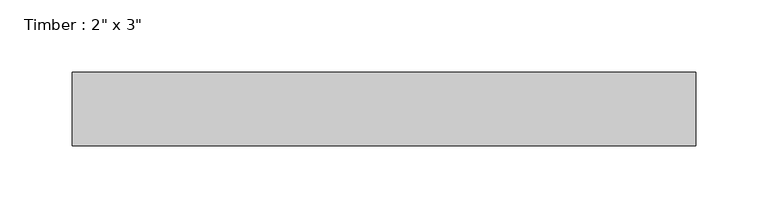
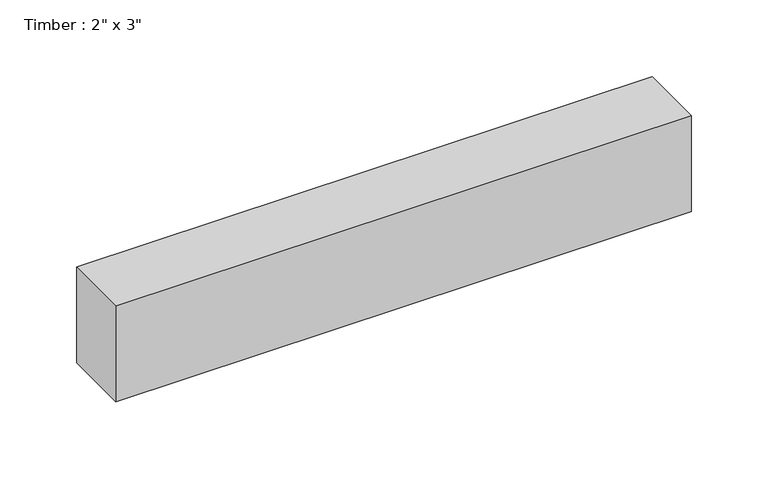
"""IFC4 building model written with IfcOpenShell, lengths in millimetres: beam geometry."""

from ifc_helpers import new_model, si_unit, frame, origin, place, context, project, spatial, polyline, outline, extrude, source, transform, mapped, element, save


def beam_a73b39dc(model_context):
    return source(origin(), model_context, "Body", "SweptSolid", [
        extrude(outline(polyline([(215.8958186, 25.4), (215.8958186, -25.4), (-215.8958186, -25.4), (-215.8958186, 25.4), (215.8958186, 25.4)])), frame((0.0, 0.0, -38.1), z_axis=(0.0, 0.0, 1.0), x_axis=(1.0, 0.0, 0.0)), (0.0, 0.0, 1.0), 76.2),
    ])


if __name__ == "__main__":
    model = new_model("IFC4")
    model_context = context("Model", 3, world=origin())
    ifc_project = project(units=[si_unit("LENGTHUNIT", "METRE", prefix="MILLI")], contexts=[model_context])
    site = spatial("IfcSite", under=ifc_project)
    building = spatial("IfcBuilding", under=site)
    placement = place(None, origin())
    beam_shape = beam_a73b39dc(model_context)
    element("IfcBeam", 1, ObjectType="Timber : 2\" x 3\"", at=placement, inside=building, context=model_context, shape_type="MappedRepresentation", body=[
        mapped(beam_shape, transform((0.0, 0.0, 0.0), x_axis=(1.0, 0.0, 0.0), y_axis=(0.0, 1.0, 0.0), z_axis=(0.0, 0.0, 1.0))),
    ])
    save(model, "model.ifc")
